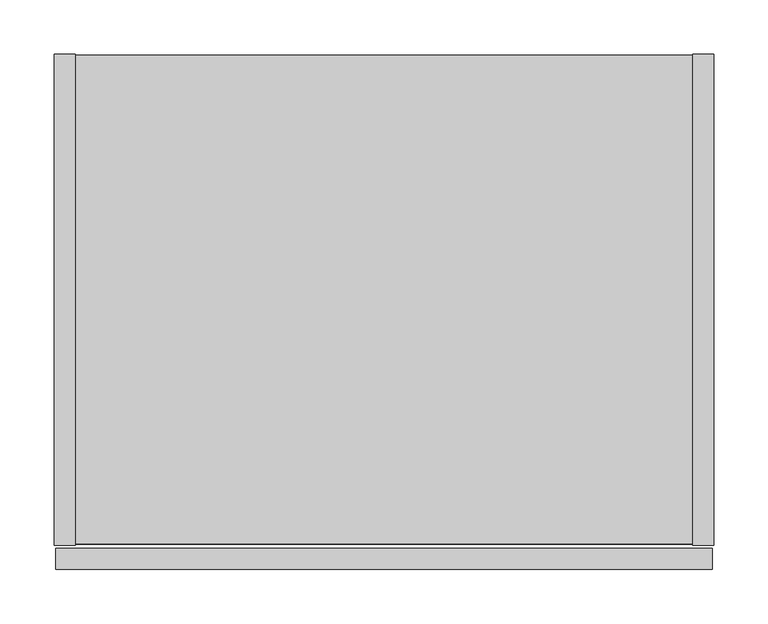
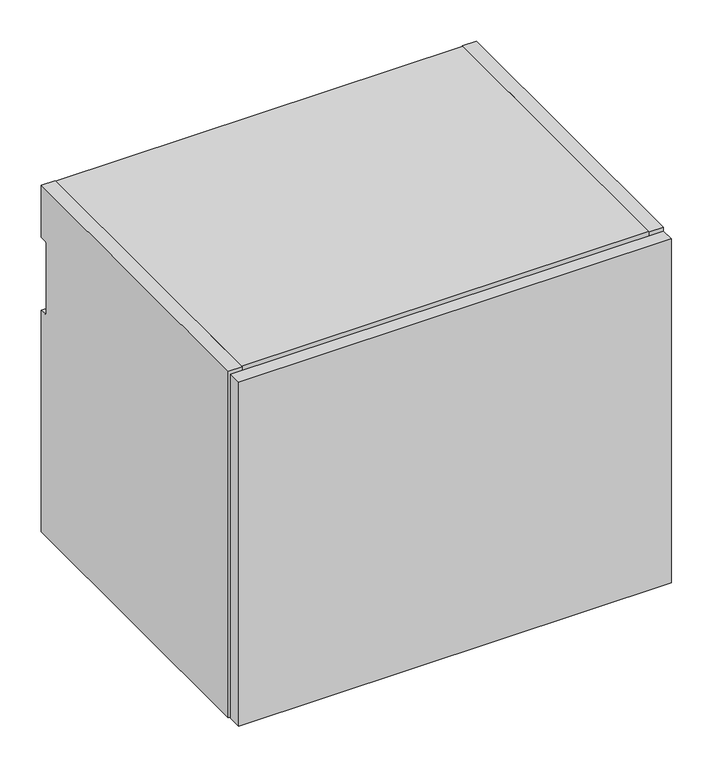
"""IFC4 building model written with IfcOpenShell, lengths in millimetres: furniture geometry."""

from ifc_helpers import new_model, si_unit, point, frame, frame_2d, origin, place, context, project, spatial, polyline, circle_curve, trimmed, segment, composite_curve, outline, extrude, source, transform, mapped, element, save


def furniture_df152b60(model_context):
    return source(origin(), model_context, "Body", "SweptSolid", [
        extrude(outline(polyline([(608.0125, -476.504), (1.5875, -476.504), (1.5875, -457.2), (608.0125, -457.2), (608.0125, -476.504)])), frame((0.0, 0.0, 325.628), z_axis=(0.0, 0.0, 1.0), x_axis=(1.0, 0.0, 0.0)), (0.0, 0.0, 1.0), 509.397),
        extrude(outline(polyline([(609.6, 0.0), (609.6, -454.025), (590.296, -454.025), (590.296, 0.0), (609.6, 0.0)])), frame((0.0, 0.0, 325.628), z_axis=(0.0, 0.0, 1.0), x_axis=(1.0, 0.0, 0.0)), (0.0, 0.0, 1.0), 512.572),
        extrude(outline(polyline([(590.296, -0.9906), (590.296, -453.0344), (19.304, -453.0344), (19.304, -0.9906), (590.296, -0.9906)])), frame((0.0, 0.0, 326.6186), z_axis=(0.0, 0.0, 1.0), x_axis=(1.0, 0.0, 0.0)), (0.0, 0.0, 1.0), 19.304),
        extrude(outline(composite_curve([segment(polyline([(-32.004, 818.896), (-11.938, 818.896), (-11.938, 760.2988429)]), True, "CONTINUOUS"), segment(trimmed(circle_curve(frame_2d((-9.3963729, 758.1883729)), 3.3036271), [point((-11.938, 760.2988429))], [point((-12.7, 758.1883729))], True, "CARTESIAN"), True, "CONTINUOUS"), segment(polyline([(-12.7, 758.1883729), (-12.7, 656.844)]), True, "CONTINUOUS"), segment(trimmed(circle_curve(frame_2d((-9.398, 656.844)), 3.302), [point((-12.7, 656.844))], [point((-11.938, 654.7341175))], True, "CARTESIAN"), True, "CONTINUOUS"), segment(polyline([(-11.938, 654.7341175), (-11.938, 345.9226), (-32.004, 345.9226), (-32.004, 818.896)]), True, "CONTINUOUS")], self_intersect=False)), frame((19.304, 0.0, 0.0), z_axis=(1.0, 0.0, 0.0), x_axis=(0.0, 1.0, 0.0)), (0.0, 0.0, 1.0), 570.992),
        extrude(outline(composite_curve([segment(polyline([(-454.025, 838.2), (0.0, 838.2), (0.0, 761.492), (-9.3963729, 761.492)]), True, "CONTINUOUS"), segment(trimmed(circle_curve(frame_2d((-9.3963729, 758.1883729)), 3.3036271), [point((-9.3963729, 761.492))], [point((-12.7, 758.1883729))], True, "CARTESIAN"), True, "CONTINUOUS"), segment(polyline([(-12.7, 758.1883729), (-12.7, 656.844)]), True, "CONTINUOUS"), segment(trimmed(circle_curve(frame_2d((-9.398, 656.844)), 3.302), [point((-12.7, 656.844))], [point((-9.398, 653.542))], True, "CARTESIAN"), True, "CONTINUOUS"), segment(polyline([(-9.398, 653.542), (0.0, 653.542), (0.0, 325.628), (-454.025, 325.628), (-454.025, 838.2)]), True, "CONTINUOUS")], self_intersect=False)), frame((0.0, 0.0, 0.0), z_axis=(1.0, 0.0, 0.0), x_axis=(0.0, 1.0, 0.0)), (0.0, 0.0, 1.0), 19.304),
        extrude(outline(polyline([(590.296, -453.0344), (19.304, -453.0344), (19.304, -0.9906), (590.296, -0.9906), (590.296, -453.0344)])), frame((0.0, 0.0, 818.896), z_axis=(0.0, 0.0, 1.0), x_axis=(1.0, 0.0, 0.0)), (0.0, 0.0, 1.0), 19.304),
    ])


if __name__ == "__main__":
    model = new_model("IFC4")
    model_context = context("Model", 3, world=origin())
    ifc_project = project(units=[si_unit("LENGTHUNIT", "METRE", prefix="MILLI")], contexts=[model_context])
    site = spatial("IfcSite", under=ifc_project)
    building = spatial("IfcBuilding", under=site)
    placement = place(None, origin())
    furniture_shape = furniture_df152b60(model_context)
    element("IfcFurniture", 1, at=placement, inside=building, context=model_context, shape_type="MappedRepresentation", body=[
        mapped(furniture_shape, transform((0.0, 0.0, 0.0), x_axis=(1.0, 0.0, 0.0), y_axis=(0.0, 1.0, 0.0), z_axis=(0.0, 0.0, 1.0))),
    ])
    save(model, "model.ifc")
